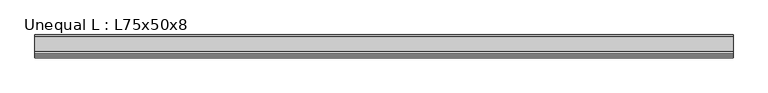
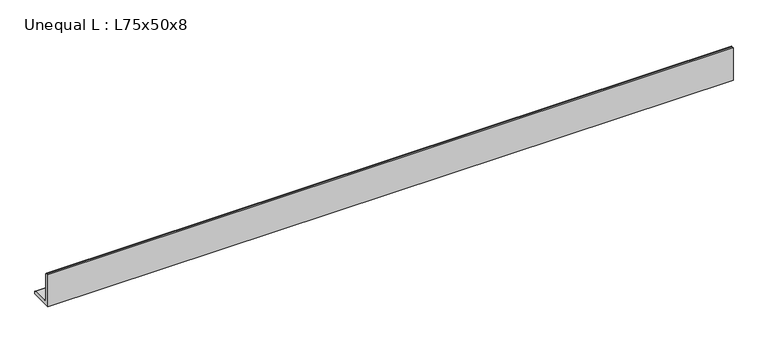
"""IFC4 building model written with IfcOpenShell, lengths in millimetres: beam geometry, Unequal L : L75x50x8."""

from ifc_helpers import new_model, si_unit, point, frame, frame_2d, origin, place, context, project, spatial, polyline, circle_curve, trimmed, segment, composite_curve, outline, extrude, source, transform, mapped, element, save


def unequal_l_l75x50x8_50fc0ad8(model_context):
    return source(origin(), model_context, "Body", "SweptSolid", [
        extrude(outline(composite_curve([segment(polyline([(-12.9, -25.2), (-12.9, 49.8), (-8.4, 49.8)]), True, "CONTINUOUS"), segment(trimmed(circle_curve(frame_2d((-8.4, 46.3)), 3.5), [point((-8.4, 49.8))], [point((-4.9, 46.3))], False, "CARTESIAN"), True, "CONTINUOUS"), segment(polyline([(-4.9, 46.3), (-4.9, -10.2)]), True, "CONTINUOUS"), segment(trimmed(circle_curve(frame_2d((2.1, -10.2)), 7.0), [point((-4.9, -10.2))], [point((2.1, -17.2))], True, "CARTESIAN"), True, "CONTINUOUS"), segment(polyline([(2.1, -17.2), (33.6, -17.2)]), True, "CONTINUOUS"), segment(trimmed(circle_curve(frame_2d((33.6, -20.7)), 3.5), [point((33.6, -17.2))], [point((37.1, -20.7))], False, "CARTESIAN"), True, "CONTINUOUS"), segment(polyline([(37.1, -20.7), (37.1, -25.2), (-12.9, -25.2)]), True, "CONTINUOUS")], self_intersect=False)), frame((-752.5990489, 0.0, 0.0), z_axis=(1.0, 0.0, 0.0), x_axis=(0.0, 1.0, 0.0)), (0.0, 0.0, 1.0), 1512.9999998),
    ])


if __name__ == "__main__":
    model = new_model("IFC4")
    model_context = context("Model", 3, world=origin())
    ifc_project = project(units=[si_unit("LENGTHUNIT", "METRE", prefix="MILLI")], contexts=[model_context])
    site = spatial("IfcSite", under=ifc_project)
    building = spatial("IfcBuilding", under=site)
    placement = place(None, origin())
    unequal_l_l75x50x8_shape = unequal_l_l75x50x8_50fc0ad8(model_context)
    element("IfcBeam", 1, ObjectType="Unequal L : L75x50x8", at=placement, inside=building, context=model_context, shape_type="MappedRepresentation", body=[
        mapped(unequal_l_l75x50x8_shape, transform((0.0, 0.0, 0.0), x_axis=(1.0, 0.0, 0.0), y_axis=(0.0, 1.0, 0.0), z_axis=(0.0, 0.0, 1.0))),
    ])
    save(model, "model.ifc")
